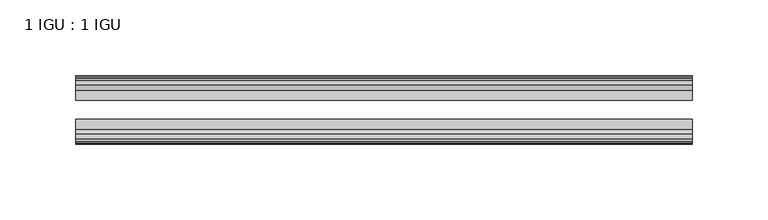
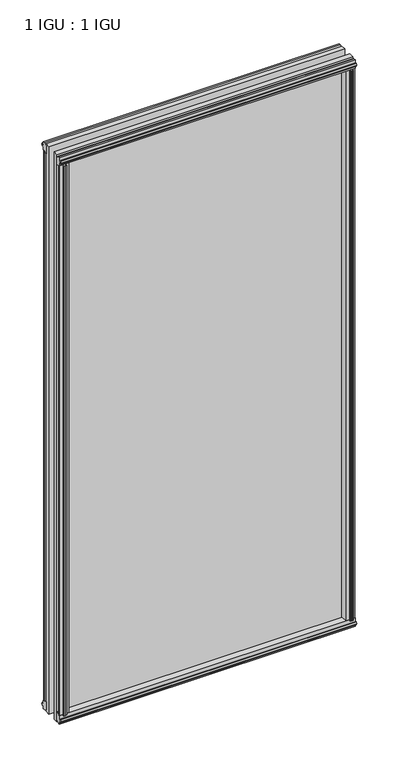
"""IFC4 building model written with IfcOpenShell, lengths in millimetres: plate geometry, 1 IGU : 1 IGU."""

from ifc_helpers import new_model, si_unit, frame, origin, origin_with_axes, place, context, project, spatial, polyline, outline, extrude, source, transform, mapped, element, save


def plate_1_igu_1_igu_7c7b4260(model_context):
    return source(origin(), model_context, "Body", "SweptSolid", [
        extrude(outline(polyline([(189.2539387, -19.5460937), (191.3592158, -13.1960937), (196.5664102, -13.1960937), (196.9474102, -10.8158968), (195.5318812, -11.27583), (195.5318812, -10.4746158), (197.7094102, -9.7670937), (199.8869393, -10.4746158), (199.8869393, -11.27583), (198.4714102, -10.8158968), (198.8524102, -13.1960937), (203.2974102, -13.1960937), (203.2974102, -16.1419073), (201.0843327, -19.5460937), (189.2539387, -19.5460937)])), origin_with_axes(), (0.0, 0.0, 1.0), 800.1),
        extrude(outline(polyline([(-189.2539387, -19.5460937), (-201.0843327, -19.5460937), (-203.2974102, -16.1419073), (-203.2974102, -13.1960937), (-198.8524102, -13.1960937), (-198.4714102, -10.8158968), (-199.8869393, -11.27583), (-199.8869393, -10.4746158), (-197.7094102, -9.7670937), (-195.5318812, -10.4746158), (-195.5318812, -11.27583), (-196.9474102, -10.8158968), (-196.5664102, -13.1960937), (-191.3592158, -13.1960937), (-189.2539387, -19.5460937)])), origin_with_axes(), (0.0, 0.0, 1.0), 800.1),
        extrude(outline(polyline([(-16.1419073, -12.4576852), (-19.5460937, -10.2446077), (-19.5460937, 1.5857863), (-13.1960937, -0.5194908), (-13.1960937, -5.7266852), (-10.8158968, -6.1076852), (-11.27583, -4.6921562), (-10.4746158, -4.6921562), (-9.7670937, -6.8696852), (-10.4746158, -9.0472143), (-11.27583, -9.0472143), (-10.8158968, -7.6316852), (-13.1960937, -8.0126852), (-13.1960937, -12.4576852), (-16.1419073, -12.4576852)])), frame((-203.539725, 0.0, 0.0), z_axis=(1.0, 0.0, 0.0), x_axis=(0.0, 1.0, 0.0)), (0.0, 0.0, 1.0), 407.07945),
        extrude(outline(polyline([(-48.3502802, -11.938), (-51.2960937, -11.938), (-51.2960937, -7.493), (-53.6762907, -7.112), (-53.2163575, -8.5275291), (-54.0175717, -8.5275291), (-54.7250937, -6.35), (-54.0175717, -4.172471), (-53.2163575, -4.172471), (-53.6762907, -5.588), (-51.2960937, -5.207), (-51.2960937, 0.0001944), (-44.9460937, 2.1054715), (-44.9460937, -9.7249225), (-48.3502802, -11.938)])), frame((-203.539725, 0.0, 0.0), z_axis=(1.0, 0.0, 0.0), x_axis=(0.0, 1.0, 0.0)), (0.0, 0.0, 1.0), 407.07945),
        extrude(outline(polyline([(-16.1028367, 812.5576852), (-13.1960937, 812.5576852), (-13.1960937, 808.1126852), (-10.8158968, 807.7316852), (-11.27583, 809.1472143), (-10.4746158, 809.1472143), (-9.7670937, 806.9696852), (-10.4746158, 804.7921562), (-11.27583, 804.7921562), (-10.8158968, 806.2076852), (-13.1960937, 805.8266852), (-13.1960937, 800.5940908), (-19.5460937, 798.4888137), (-19.5460937, 810.3192077), (-16.1028367, 812.5576852)])), frame((-203.539725, 0.0, 0.0), z_axis=(1.0, 0.0, 0.0), x_axis=(0.0, 1.0, 0.0)), (0.0, 0.0, 1.0), 407.07945),
        extrude(outline(polyline([(-48.3893508, 812.0126), (-44.9460937, 809.7741225), (-44.9460937, 797.9437285), (-51.2960937, 800.0490056), (-51.2960937, 805.2816), (-53.6762907, 805.6626), (-53.2163575, 804.2470709), (-54.0175717, 804.2470709), (-54.7250938, 806.4246), (-54.0175717, 808.602129), (-53.2163575, 808.602129), (-53.6762907, 807.1866), (-51.2960937, 807.5676), (-51.2960937, 812.0126), (-48.3893508, 812.0126)])), frame((-203.539725, 0.0, 0.0), z_axis=(1.0, 0.0, 0.0), x_axis=(0.0, 1.0, 0.0)), (0.0, 0.0, 1.0), 407.07945),
        extrude(outline(polyline([(-188.7342535, -44.9460938), (-190.8395306, -51.2960938), (-196.046725, -51.2960938), (-196.427725, -53.6762907), (-195.012196, -53.2163575), (-195.012196, -54.0175717), (-197.189725, -54.7250938), (-199.3672541, -54.0175717), (-199.3672541, -53.2163575), (-197.951725, -53.6762907), (-198.332725, -51.2960938), (-202.777725, -51.2960938), (-202.777725, -48.3502802), (-200.5646475, -44.9460938), (-188.7342535, -44.9460938)])), origin_with_axes(), (0.0, 0.0, 1.0), 800.1),
        extrude(outline(polyline([(188.7342535, -44.9460938), (200.5646475, -44.9460938), (202.777725, -48.3502802), (202.777725, -51.2960938), (198.332725, -51.2960938), (197.951725, -53.6762907), (199.3672541, -53.2163575), (199.3672541, -54.0175717), (197.189725, -54.7250938), (195.012196, -54.0175717), (195.012196, -53.2163575), (196.427725, -53.6762907), (196.046725, -51.2960938), (190.8395306, -51.2960938), (188.7342535, -44.9460938)])), origin_with_axes(), (0.0, 0.0, 1.0), 800.1),
        extrude(outline(polyline([(203.539725, -19.5460937), (203.539725, -25.8337453), (-203.539725, -25.8337453), (-203.539725, -19.5460937), (203.539725, -19.5460937)])), frame((0.0, 0.0, -12.7), z_axis=(0.0, 0.0, 1.0), x_axis=(1.0, 0.0, 0.0)), (0.0, 0.0, 1.0), 825.4872998),
        extrude(outline(polyline([(-203.539725, -44.9460937), (-203.539725, -38.6468938), (203.539725, -38.6468938), (203.539725, -44.9460937), (-203.539725, -44.9460937)])), frame((0.0, 0.0, -12.7), z_axis=(0.0, 0.0, 1.0), x_axis=(1.0, 0.0, 0.0)), (0.0, 0.0, 1.0), 825.4872998),
    ])


if __name__ == "__main__":
    model = new_model("IFC4")
    model_context = context("Model", 3, world=origin())
    ifc_project = project(units=[si_unit("LENGTHUNIT", "METRE", prefix="MILLI")], contexts=[model_context])
    site = spatial("IfcSite", under=ifc_project)
    building = spatial("IfcBuilding", under=site)
    placement = place(None, origin())
    plate_1_igu_1_igu_shape = plate_1_igu_1_igu_7c7b4260(model_context)
    element("IfcPlate", 1, ObjectType="1 IGU : 1 IGU", at=placement, inside=building, context=model_context, shape_type="MappedRepresentation", body=[
        mapped(plate_1_igu_1_igu_shape, transform((0.0, 0.0, 0.0), x_axis=(1.0, 0.0, 0.0), y_axis=(0.0, 1.0, 0.0), z_axis=(0.0, 0.0, 1.0))),
    ])
    save(model, "model.ifc")
